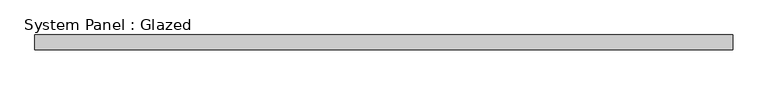
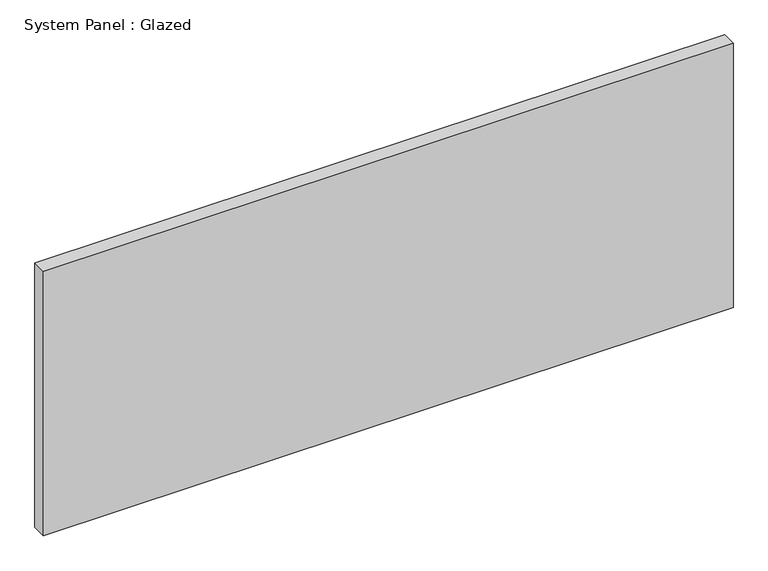
"""IFC4 building model written with IfcOpenShell, lengths in millimetres: plate geometry, System Panel : Glazed."""

from ifc_helpers import new_model, si_unit, origin, origin_with_axes, place, context, project, spatial, polyline, outline, extrude, source, transform, mapped, element, save


def system_panel_glazed_b0e46220(model_context):
    return source(origin(), model_context, "Body", "SweptSolid", [
        extrude(outline(polyline([(585.7011128, 24.5), (-585.7011128, 24.5), (-585.7011128, 49.5), (585.7011128, 49.5), (585.7011128, 24.5)])), origin_with_axes(), (0.0, 0.0, 1.0), 475.0),
    ])


if __name__ == "__main__":
    model = new_model("IFC4")
    model_context = context("Model", 3, world=origin())
    ifc_project = project(units=[si_unit("LENGTHUNIT", "METRE", prefix="MILLI")], contexts=[model_context])
    site = spatial("IfcSite", under=ifc_project)
    building = spatial("IfcBuilding", under=site)
    placement = place(None, origin())
    system_panel_glazed_shape = system_panel_glazed_b0e46220(model_context)
    element("IfcPlate", 1, ObjectType="System Panel : Glazed", at=placement, inside=building, context=model_context, shape_type="MappedRepresentation", body=[
        mapped(system_panel_glazed_shape, transform((0.0, 0.0, 0.0), x_axis=(1.0, 0.0, 0.0), y_axis=(0.0, 1.0, 0.0), z_axis=(0.0, 0.0, 1.0))),
    ])
    save(model, "model.ifc")
